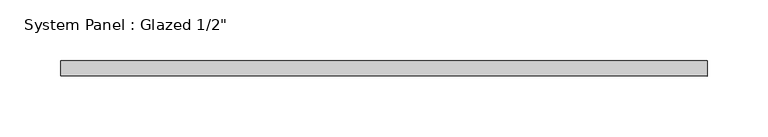
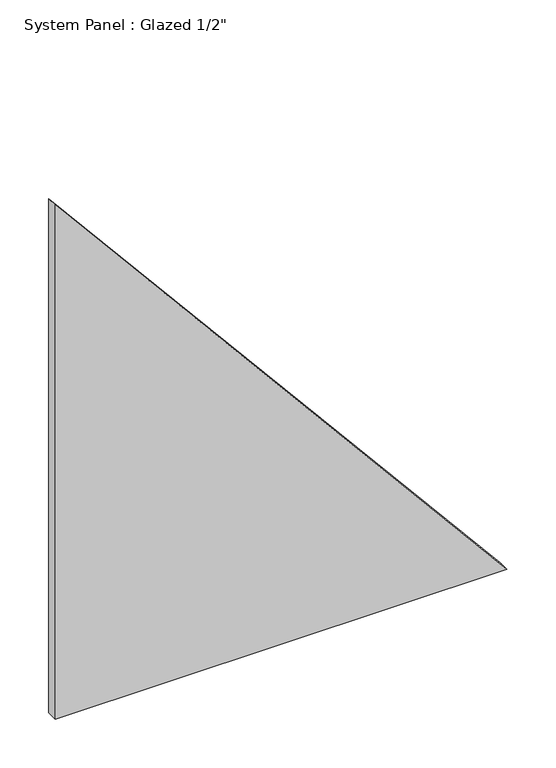
"""IFC4 building model written with IfcOpenShell, lengths in millimetres: plate geometry."""

from ifc_helpers import new_model, si_unit, frame, origin, place, context, project, spatial, polyline, outline, extrude, source, transform, mapped, element, save


def plate_6a97e4d6(model_context):
    return source(origin(), model_context, "Body", "SweptSolid", [
        extrude(outline(polyline([(0.0, -267.1446542), (0.0, 267.1446542), (642.1358324, -267.1446542), (0.0, -267.1446542)])), frame((0.0, -6.35, 0.0), z_axis=(0.0, 1.0, 0.0), x_axis=(0.0, 0.0, 1.0)), (0.0, 0.0, 1.0), 12.7),
    ])


if __name__ == "__main__":
    model = new_model("IFC4")
    model_context = context("Model", 3, world=origin())
    ifc_project = project(units=[si_unit("LENGTHUNIT", "METRE", prefix="MILLI")], contexts=[model_context])
    site = spatial("IfcSite", under=ifc_project)
    building = spatial("IfcBuilding", under=site)
    placement = place(None, origin())
    plate_shape = plate_6a97e4d6(model_context)
    element("IfcPlate", 1, ObjectType="System Panel : Glazed 1/2\"", at=placement, inside=building, context=model_context, shape_type="MappedRepresentation", body=[
        mapped(plate_shape, transform((0.0, 0.0, 0.0), x_axis=(1.0, 0.0, 0.0), y_axis=(0.0, 1.0, 0.0), z_axis=(0.0, 0.0, 1.0))),
    ])
    save(model, "model.ifc")
